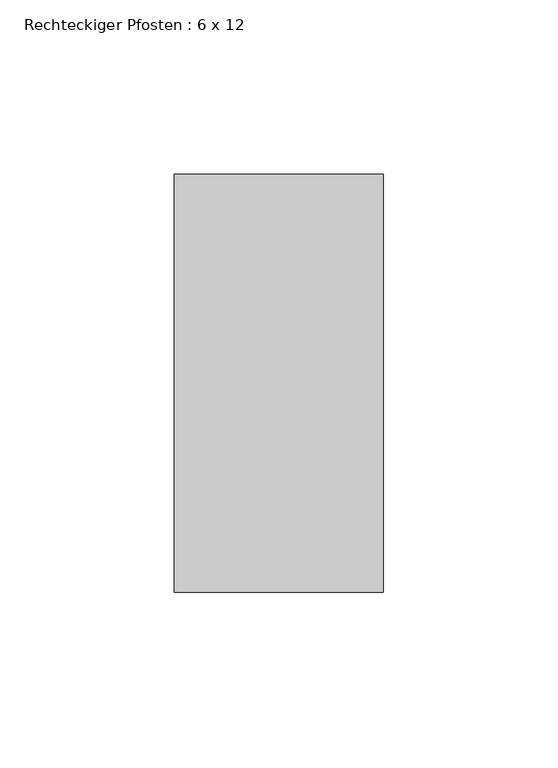
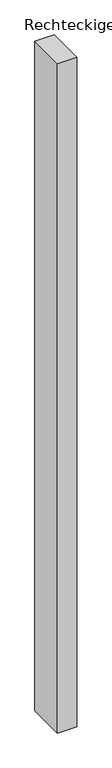
"""IFC4 building model written with IfcOpenShell, lengths in millimetres: member geometry, Rechteckiger Pfosten : 6 x 12."""

import ifcopenshell
import ifcopenshell.guid

model = None  # the IFC model being written
_history = None  # IfcOwnerHistory: only IFC2X3 demands one
_inside = {}  # id of a spatial element -> (the spatial element, [elements in it])
_under = {}  # id of a project, library or spatial element -> (it, [spatial elements below it])
_declared = {}  # id of a project -> (the project, [libraries it declares])
_typed = {}  # id of a type object -> (the type object, [elements of that type])
_made_of = {}  # id of a material, layer set ... -> (it, [elements and type objects made of it])


def new_model(schema):
    """Start an empty IFC model of exactly this schema.

    Asked for "IFC4X3", IfcOpenShell would pick the latest addendum, in which some entities
    have other attributes; the version numbers below select the first issue.
    IFC2X3 requires an IfcOwnerHistory on every rooted entity: one is made here for all.
    """
    global model, _history
    if schema == "IFC4X3":
        model = ifcopenshell.file(schema_version=(4, 3, 0, 0))
    else:
        model = ifcopenshell.file(schema=schema)
    _inside.clear()
    _under.clear()
    _declared.clear()
    _typed.clear()
    _made_of.clear()
    _history = None
    if model.schema == "IFC2X3":
        org = make("IfcOrganization", Name="unknown")
        user = make(
            "IfcPersonAndOrganization",
            ThePerson=make("IfcPerson", FamilyName="unknown"),
            TheOrganization=org,
        )
        app = make(
            "IfcApplication",
            ApplicationDeveloper=org,
            Version="unknown",
            ApplicationFullName="unknown",
            ApplicationIdentifier="unknown",
        )
        _history = make(
            "IfcOwnerHistory",
            OwningUser=user,
            OwningApplication=app,
            ChangeAction="ADDED",
            CreationDate=0,
        )
    return model


def make(cls, **values):
    """One entity of the class cls with the attributes given. An attribute that is None is left unset."""
    return model.create_entity(
        cls, **{name: value for name, value in values.items() if value is not None}
    )


def rooted(cls, **values):
    """An entity with a GlobalId (a new one), such as an element, a storey or a relation."""
    return make(cls, GlobalId=ifcopenshell.guid.new(), OwnerHistory=_history, **values)


def si_unit(unit_type, name, prefix=None):
    """IfcSIUnit, for example si_unit("LENGTHUNIT", "METRE", prefix="MILLI")."""
    return make("IfcSIUnit", UnitType=unit_type, Prefix=prefix, Name=name)


def assignment(units):
    """IfcUnitAssignment: the units of a project."""
    return None if units is None else make("IfcUnitAssignment", Units=units)


def point(xyz):
    """IfcCartesianPoint."""
    return None if xyz is None else make("IfcCartesianPoint", Coordinates=xyz)


def direction(xyz):
    """IfcDirection."""
    return None if xyz is None else make("IfcDirection", DirectionRatios=xyz)


def frame(location, z_axis=None, x_axis=None):
    """IfcAxis2Placement3D, a coordinate frame: its origin and axes. An axis left out is left unset."""
    return make(
        "IfcAxis2Placement3D",
        Location=point(location),
        Axis=direction(z_axis),
        RefDirection=direction(x_axis),
    )


def origin():
    """The frame at (0, 0, 0) with its axes left unset."""
    return frame((0.0, 0.0, 0.0))


def place(relative_to, where):
    """IfcLocalPlacement: puts the frame where relative to a parent placement (None: the world)."""
    return make(
        "IfcLocalPlacement", PlacementRelTo=relative_to, RelativePlacement=where
    )


def context(
    kind, dimensions, precision=None, world=None, true_north=None, identifier=None
):
    """IfcGeometricRepresentationContext, for example the 3D "Model" context."""
    return make(
        "IfcGeometricRepresentationContext",
        ContextIdentifier=identifier,
        ContextType=kind,
        CoordinateSpaceDimension=dimensions,
        Precision=precision,
        WorldCoordinateSystem=world,
        TrueNorth=true_north,
    )


def project(units=None, contexts=None):
    """IfcProject with its units and contexts."""
    return rooted(
        "IfcProject",
        Name="project",
        RepresentationContexts=contexts,
        UnitsInContext=assignment(units),
    )


def spatial(cls, under=None, at=None, **own):
    """A site, building, storey or space (cls), placed at a placement, below another one or the project."""
    s = rooted(cls, ObjectPlacement=at, **own)
    if under is not None:
        _under.setdefault(under.id(), (under, []))[1].append(s)
    return s


def polyline(points):
    """IfcPolyline through the points."""
    return make("IfcPolyline", Points=[point(p) for p in points])


def outline(outer, holes=None, kind="AREA"):
    """IfcArbitraryClosedProfileDef: a profile drawn as a closed curve; with holes, ...WithVoids."""
    if holes is None:
        return make("IfcArbitraryClosedProfileDef", ProfileType=kind, OuterCurve=outer)
    return make(
        "IfcArbitraryProfileDefWithVoids",
        ProfileType=kind,
        OuterCurve=outer,
        InnerCurves=holes,
    )


def extrude(swept, where, along, depth):
    """IfcExtrudedAreaSolid: the profile swept, set in the frame where, extruded along a direction by depth."""
    return make(
        "IfcExtrudedAreaSolid",
        SweptArea=swept,
        Position=where,
        ExtrudedDirection=direction(along),
        Depth=depth,
    )


def shape(context_of_items, identifier, shape_type, items):
    """IfcShapeRepresentation: the items that make up one representation, for example the "Body"."""
    return make(
        "IfcShapeRepresentation",
        ContextOfItems=context_of_items,
        RepresentationIdentifier=identifier,
        RepresentationType=shape_type,
        Items=items,
    )


def source(mapping_origin, context_of_items, identifier, shape_type, items):
    """IfcRepresentationMap: a shape defined once, which mapped items show again and again."""
    return make(
        "IfcRepresentationMap",
        MappingOrigin=mapping_origin,
        MappedRepresentation=shape(context_of_items, identifier, shape_type, items),
    )


def transform(
    local_origin,
    x_axis=None,
    y_axis=None,
    z_axis=None,
    scale=None,
    scale2=None,
    scale3=None,
    uniform=True,
):
    """IfcCartesianTransformationOperator3D, or its non-uniform kind. x_axis, y_axis, z_axis: its Axis1, 2, 3."""
    if uniform:
        return make(
            "IfcCartesianTransformationOperator3D",
            Axis1=direction(x_axis),
            Axis2=direction(y_axis),
            LocalOrigin=point(local_origin),
            Scale=scale,
            Axis3=direction(z_axis),
        )
    return make(
        "IfcCartesianTransformationOperator3DnonUniform",
        Axis1=direction(x_axis),
        Axis2=direction(y_axis),
        LocalOrigin=point(local_origin),
        Scale=scale,
        Axis3=direction(z_axis),
        Scale2=scale2,
        Scale3=scale3,
    )


def mapped(mapping_source, mapping_target):
    """IfcMappedItem: shows the shape of a source again, moved by a transform."""
    return make(
        "IfcMappedItem", MappingSource=mapping_source, MappingTarget=mapping_target
    )


def made_of(thing, what):
    """Note that an element or type object is made of a material, layer set ...; save() writes the relation."""
    if what is not None:
        _made_of.setdefault(what.id(), (what, []))[1].append(thing)
    return thing


def element(
    cls,
    number,
    at=None,
    inside=None,
    cuts=None,
    type_object=None,
    material=None,
    context=None,
    identifier="Body",
    shape_type=None,
    held_by="IfcProductDefinitionShape",
    body=None,
    shapes=None,
    **own,
):
    """One element of the class cls, such as IfcWall. Its Tag is "e" and its number.

    at: its placement. inside: the storey or other place that contains it. cuts: it is an
    opening in that element (IfcRelVoidsElement). A single representation is given by context,
    identifier, shape_type and body (its items); several are given by shapes. held_by: the class
    of the entity that holds the representations. save() writes the other relations.
    """
    e = rooted(cls, Tag="e%d" % number, ObjectPlacement=at, **own)
    if body is not None:
        shapes = [shape(context, identifier, shape_type, body)]
    if shapes is not None:
        e.Representation = make(held_by, Representations=shapes)
    if inside is not None:
        _inside.setdefault(inside.id(), (inside, []))[1].append(e)
    if cuts is not None:
        rooted(
            "IfcRelVoidsElement", RelatingBuildingElement=cuts, RelatedOpeningElement=e
        )
    if type_object is not None:
        _typed.setdefault(type_object.id(), (type_object, []))[1].append(e)
    return made_of(e, material)


def aggregate(whole, parts):
    """IfcRelAggregates: a whole, such as a stair, and the parts it consists of."""
    return rooted("IfcRelAggregates", RelatingObject=whole, RelatedObjects=parts)


def save(model, path):
    """Write the relations noted so far, then the file.

    IfcRelAggregates (storeys below a building ...), IfcRelContainedInSpatialStructure (elements
    in a storey), IfcRelDefinesByType, IfcRelAssociatesMaterial and IfcRelDeclares: one each for
    every whole, place, type object, material and project.
    """
    for whole, parts in _under.values():
        aggregate(whole, parts)
    for where, things in _inside.values():
        rooted(
            "IfcRelContainedInSpatialStructure",
            RelatedElements=things,
            RelatingStructure=where,
        )
    for kind, things in _typed.values():
        rooted("IfcRelDefinesByType", RelatedObjects=things, RelatingType=kind)
    for what, things in _made_of.values():
        rooted("IfcRelAssociatesMaterial", RelatedObjects=things, RelatingMaterial=what)
    for by, libraries in _declared.values():
        rooted("IfcRelDeclares", RelatingContext=by, RelatedDefinitions=libraries)
    model.write(path)


def rechteckiger_pfosten_6_x_12_ca4420eb(model_context):
    return source(origin(), model_context, "Body", "SweptSolid", [
        extrude(outline(polyline([(0.0, 60.0), (0.0, -60.0), (-60.0, -60.0), (-60.0, 60.0), (0.0, 60.0)])), frame((0.0, 0.0, -2182.2426057), z_axis=(0.0, 0.0, 1.0), x_axis=(1.0, 0.0, 0.0)), (0.0, 0.0, 1.0), 2182.2426057),
    ])


if __name__ == "__main__":
    model = new_model("IFC4")
    model_context = context("Model", 3, world=origin())
    ifc_project = project(units=[si_unit("LENGTHUNIT", "METRE", prefix="MILLI")], contexts=[model_context])
    site = spatial("IfcSite", under=ifc_project)
    building = spatial("IfcBuilding", under=site)
    placement = place(None, origin())
    rechteckiger_pfosten_6_x_12_shape = rechteckiger_pfosten_6_x_12_ca4420eb(model_context)
    element("IfcMember", 1, ObjectType="Rechteckiger Pfosten : 6 x 12", at=placement, inside=building, context=model_context, shape_type="MappedRepresentation", body=[
        mapped(rechteckiger_pfosten_6_x_12_shape, transform((0.0, 0.0, 0.0), x_axis=(1.0, 0.0, 0.0), y_axis=(0.0, 1.0, 0.0), z_axis=(0.0, 0.0, 1.0))),
    ])
    save(model, "model.ifc")
